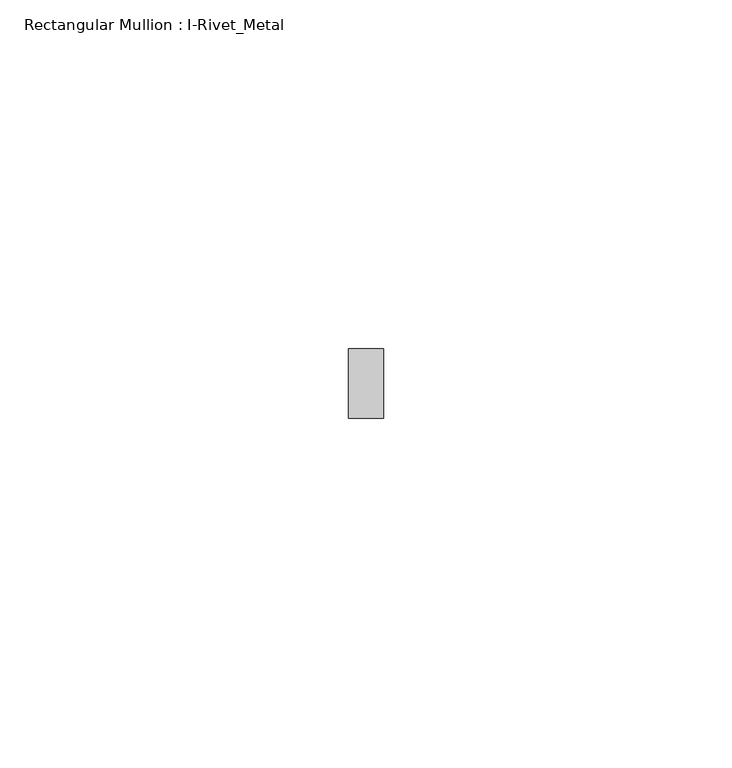
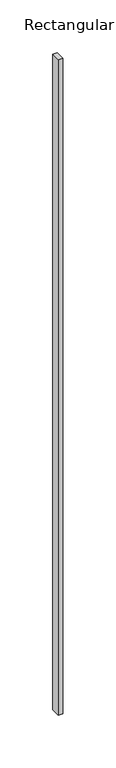
"""IFC4 building model written with IfcOpenShell, lengths in millimetres: member geometry, Rectangular Mullion : I-Rivet_Metal."""

from ifc_helpers import new_model, si_unit, frame, origin, place, context, project, spatial, polyline, outline, extrude, source, transform, mapped, element, save


def rectangular_mullion_i_rivet_metal_878a67aa(model_context):
    return source(origin(), model_context, "Body", "SweptSolid", [
        extrude(outline(polyline([(2.5, 70.0), (-2.5, 70.0), (-2.5, 80.0), (2.5, 80.0), (2.5, 70.0)])), frame((0.0, 0.0, -757.0), z_axis=(0.0, 0.0, 1.0), x_axis=(1.0, 0.0, 0.0)), (0.0, 0.0, 1.0), 757.0),
    ])


if __name__ == "__main__":
    model = new_model("IFC4")
    model_context = context("Model", 3, world=origin())
    ifc_project = project(units=[si_unit("LENGTHUNIT", "METRE", prefix="MILLI")], contexts=[model_context])
    site = spatial("IfcSite", under=ifc_project)
    building = spatial("IfcBuilding", under=site)
    placement = place(None, origin())
    rectangular_mullion_i_rivet_metal_shape = rectangular_mullion_i_rivet_metal_878a67aa(model_context)
    element("IfcMember", 1, ObjectType="Rectangular Mullion : I-Rivet_Metal", at=placement, inside=building, context=model_context, shape_type="MappedRepresentation", body=[
        mapped(rectangular_mullion_i_rivet_metal_shape, transform((0.0, 0.0, 0.0), x_axis=(1.0, 0.0, 0.0), y_axis=(0.0, 1.0, 0.0), z_axis=(0.0, 0.0, 1.0))),
    ])
    save(model, "model.ifc")
